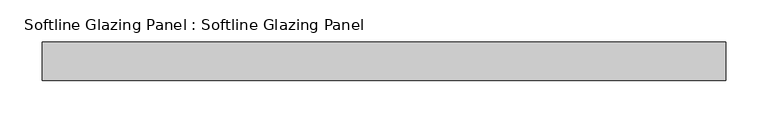
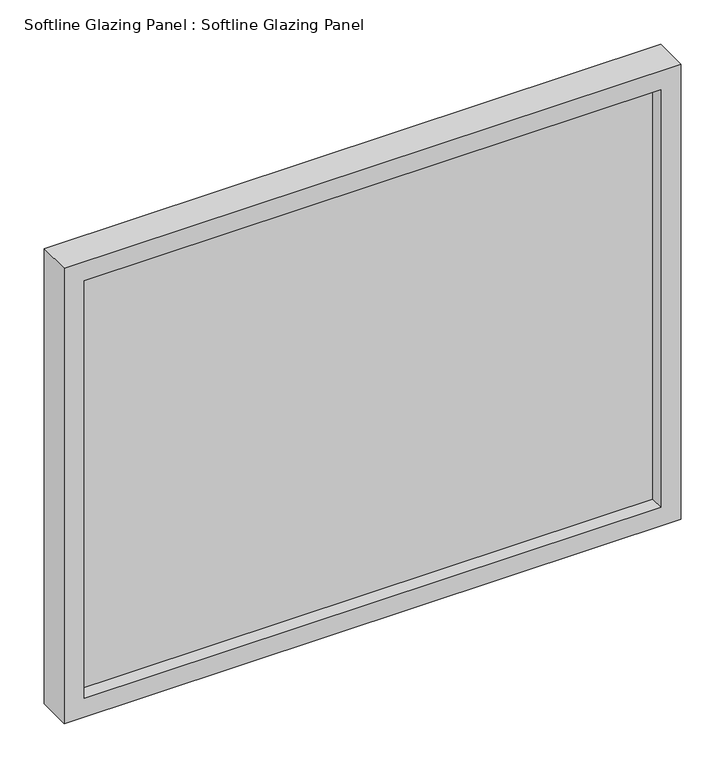
"""IFC4 building model written with IfcOpenShell, lengths in millimetres: plate geometry, Softline Glazing Panel : Softline Glazing Panel."""

from ifc_helpers import new_model, si_unit, frame, origin, place, context, project, spatial, polyline, outline, extrude, faceted_brep, source, transform, mapped, element, save


def softline_glazing_panel_softline_glazing_panel_0182d6d4(model_context):
    return source(origin(), model_context, "Body", "SolidModel", [
        extrude(outline(polyline([(386.0, 4.0), (386.0, -4.0), (-386.0, -4.0), (-386.0, 4.0), (386.0, 4.0)])), frame((0.0, 0.0, 16.0), z_axis=(0.0, 0.0, 1.0), x_axis=(1.0, 0.0, 0.0)), (0.0, 0.0, 1.0), 595.4),
        faceted_brep([(376.0, 4.0, 26.0), (376.0, 22.5, 26.0), (-376.0, 22.5, 26.0), (-376.0, 4.0, 26.0), (386.0, -4.0, 16.0), (386.0, 4.0, 16.0), (-386.0, 4.0, 16.0), (-386.0, -4.0, 16.0), (376.0, -22.5, 26.0), (376.0, -4.0, 26.0), (-376.0, -4.0, 26.0), (-376.0, -22.5, 26.0), (402.0, 22.5, 0.0), (402.0, -22.5, 0.0), (-402.0, -22.5, 0.0), (-402.0, 22.5, 0.0), (-376.0, 22.5, 601.4), (-376.0, 4.0, 601.4), (-386.0, 4.0, 611.4), (-386.0, -4.0, 611.4), (-376.0, -4.0, 601.4), (-376.0, -22.5, 601.4), (-402.0, -22.5, 627.4), (-402.0, 22.5, 627.4), (376.0, 22.5, 601.4), (376.0, 4.0, 601.4), (386.0, 4.0, 611.4), (386.0, -4.0, 611.4), (376.0, -4.0, 601.4), (376.0, -22.5, 601.4), (402.0, -22.5, 627.4), (402.0, 22.5, 627.4)], [[[0, 1, 2, 3]], [[4, 5, 6, 7]], [[8, 9, 10, 11]], [[12, 13, 14, 15]], [[3, 2, 16, 17]], [[7, 6, 18, 19]], [[11, 10, 20, 21]], [[15, 14, 22, 23]], [[17, 16, 24, 25]], [[19, 18, 26, 27]], [[21, 20, 28, 29]], [[23, 22, 30, 31]], [[15, 23, 31, 12], [1, 24, 16, 2]], [[25, 24, 1, 0]], [[5, 26, 18, 6], [3, 17, 25, 0]], [[27, 26, 5, 4]], [[7, 19, 27, 4], [9, 28, 20, 10]], [[29, 28, 9, 8]], [[13, 30, 22, 14], [11, 21, 29, 8]], [[31, 30, 13, 12]]]),
    ])


if __name__ == "__main__":
    model = new_model("IFC4")
    model_context = context("Model", 3, world=origin())
    ifc_project = project(units=[si_unit("LENGTHUNIT", "METRE", prefix="MILLI")], contexts=[model_context])
    site = spatial("IfcSite", under=ifc_project)
    building = spatial("IfcBuilding", under=site)
    placement = place(None, origin())
    softline_glazing_panel_softline_glazing_panel_shape = softline_glazing_panel_softline_glazing_panel_0182d6d4(model_context)
    element("IfcPlate", 1, ObjectType="Softline Glazing Panel : Softline Glazing Panel", at=placement, inside=building, context=model_context, shape_type="MappedRepresentation", body=[
        mapped(softline_glazing_panel_softline_glazing_panel_shape, transform((0.0, 0.0, 0.0), x_axis=(1.0, 0.0, 0.0), y_axis=(0.0, 1.0, 0.0), z_axis=(0.0, 0.0, 1.0))),
    ])
    save(model, "model.ifc")
